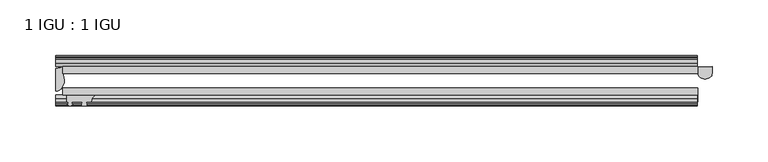
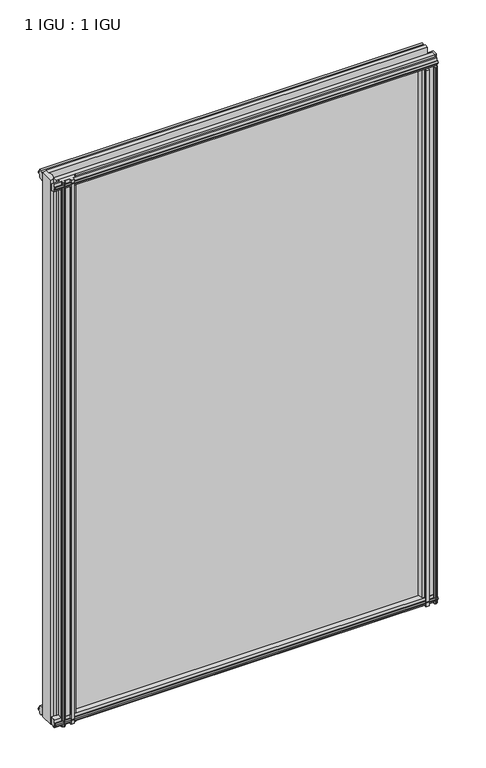
"""IFC4 building model written with IfcOpenShell, lengths in millimetres: plate geometry, 1 IGU : 1 IGU."""

from ifc_helpers import new_model, si_unit, point, frame, frame_2d, origin, place, context, project, spatial, polyline, circle_curve, ellipse_curve, trimmed, segment, composite_curve, outline, extrude, source, transform, mapped, element, save
from ifc_brep_helpers import plane_surface, cylinder_surface, revolved_surface, extruded_surface, advanced_brep


def plate_1_igu_1_igu_2c864429(model_context):
    return source(origin(), model_context, "Body", "SolidModel", [
        extrude(outline(polyline([(-314.3182532, -38.6468937), (253.8940345, -38.6468937), (253.8940345, -44.9460938), (-314.3182532, -44.9460938), (-314.3182532, -38.6468937)])), frame((0.0, 0.0, -12.7), z_axis=(0.0, 0.0, 1.0), x_axis=(1.0, 0.0, 0.0)), (0.0, 0.0, 1.0), 863.5872996),
        extrude(outline(polyline([(-314.3182532, -19.5460937), (253.8940345, -19.5460937), (253.8940345, -25.8960938), (-314.3182532, -25.8960938), (-314.3182532, -19.5460937)])), frame((0.0, 0.0, -12.7), z_axis=(0.0, 0.0, 1.0), x_axis=(1.0, 0.0, 0.0)), (0.0, 0.0, 1.0), 863.5872996),
        advanced_brep(
        [(266.5698689, -19.5460937, -12.4587), (266.5698689, -25.8452938, -12.4587), (253.8698689, -25.8452938, -12.4587), (253.8698689, -19.5460938, -12.4587), (266.5698689, -19.5460937, 837.4252996), (253.8698689, -19.5460938, 837.4252996), (253.8698689, -25.8452938, 837.4252996), (266.5698689, -25.8452938, 837.4252996)],
        [
            (0, 1),
            (1, 2, ellipse_curve(frame((260.2198689, -25.8452938, -12.4587), z_axis=(0.0, 0.0, -1.0), x_axis=(-1.0, 0.0, 0.0)), 6.35, 4.7800819)),
            (2, 3),
            (3, 0, circle_curve(frame((260.2198689, 20.9435078, -12.4587), z_axis=(0.0, 0.0, 1.0), x_axis=(1.0, 0.0, 0.0)), 40.9845134)),
            (4, 5, circle_curve(frame((260.2198689, 20.9435078, 837.4252996), z_axis=(0.0, 0.0, -1.0), x_axis=(1.0, 0.0, 0.0)), 40.9845134)),
            (5, 6),
            (6, 7, ellipse_curve(frame((260.2198689, -25.8452938, 837.4252996), z_axis=(0.0, 0.0, 1.0), x_axis=(-1.0, 0.0, 0.0)), 6.35, 4.7800819)),
            (7, 4),
            (0, 4),
            (7, 1),
            (6, 2),
            (5, 3),
        ],
        [
            plane_surface(frame((253.1995032, -13.1960938, -12.4587), z_axis=(0.0, 0.0, -1.0), x_axis=(0.0, 1.0, 0.0))),
            plane_surface(frame((253.1995032, -13.1960938, 837.4252996), z_axis=(0.0, 0.0, 1.0), x_axis=(0.0, 1.0, 0.0))),
            plane_surface(frame((266.5698689, -19.5460937, -12.4587), z_axis=(1.0, 0.0, 0.0), x_axis=(0.0, 0.0, 1.0))),
            extruded_surface(trimmed(ellipse_curve(frame((260.2198689, -25.8452938, 837.4252996), z_axis=(0.0, 0.0, -1.0), x_axis=(-1.0, 0.0, 0.0)), 6.35, 4.7800819), [point((266.5698689, -25.8452938, 837.4252996))], [point((253.8698689, -25.8452938, 837.4252996))], True, "CARTESIAN"), (0.0, 0.0, -849.8839996), 849.8839996),
            plane_surface(frame((253.8698689, -25.8452938, -12.4587), z_axis=(-1.0, 0.0, 0.0), x_axis=(0.0, 0.0, 1.0))),
            revolved_surface(polyline([(301.2043823, 20.9435078, 837.4252996), (301.2043823, 20.9435078, -12.4587)]), (260.2198689, 20.9435078, -12.4587), (0.0, 0.0, 1.0)),
        ],
        [
            (0, [[1, 2, 3, 4]]),
            (1, [[5, 6, 7, 8]]),
            (2, [[-1, 9, -8, 10]]),
            (3, [[-2, -10, -7, 11]]),
            (4, [[-3, -11, -6, 12]]),
            (5, [[-4, -12, -5, -9]]),
        ],
    ),
        advanced_brep(
        [(-320.6682532, -21.1706006, -12.7), (-314.3196413, -19.5461438, -12.7), (-314.3196413, -25.8549351, -12.7), (-313.1442901, -32.21431, -12.7), (-320.6682532, -41.5384043, -12.7), (-320.6682532, -21.1706006, 850.8872996), (-320.6682532, -41.5384043, 850.8872996), (-313.1442901, -32.21431, 850.8872996), (-314.3196413, -25.8549351, 850.8872996), (-314.3196413, -19.5461438, 850.8872996)],
        [
            (0, 1, circle_curve(frame((-320.6688226, -7.9505008, -12.7), z_axis=(0.0, 0.0, 1.0), x_axis=(1.0, 0.0, 0.0)), 13.2200998)),
            (1, 2),
            (2, 3, circle_curve(frame((-331.2066544, -32.2643264, -12.7), z_axis=(0.0, 0.0, -1.0), x_axis=(1.0, 0.0, 0.0)), 18.0624336)),
            (3, 4, ellipse_curve(frame((-320.6674203, -32.2460921, -12.7), z_axis=(0.0, 0.0, -1.0), x_axis=(0.0, -1.0, 0.0)), 9.2923123, 7.5231742)),
            (4, 0),
            (5, 6),
            (6, 7, ellipse_curve(frame((-320.6674203, -32.2460921, 850.8872996), z_axis=(0.0, 0.0, 1.0), x_axis=(0.0, -1.0, 0.0)), 9.2923123, 7.5231742)),
            (7, 8, circle_curve(frame((-331.2066544, -32.2643264, 850.8872996), z_axis=(0.0, 0.0, 1.0), x_axis=(1.0, 0.0, 0.0)), 18.0624336)),
            (8, 9),
            (9, 5, circle_curve(frame((-320.6688226, -7.9505008, 850.8872996), z_axis=(0.0, 0.0, -1.0), x_axis=(1.0, 0.0, 0.0)), 13.2200998)),
            (0, 5),
            (9, 1),
            (8, 2),
            (7, 3),
            (6, 4),
        ],
        [
            plane_surface(frame((-320.6682532, -13.1960937, -12.7), z_axis=(0.0, 0.0, -1.0), x_axis=(0.0, 1.0, 0.0))),
            plane_surface(frame((-320.6682532, -13.1960937, 850.8872996), z_axis=(0.0, 0.0, 1.0), x_axis=(0.0, 1.0, 0.0))),
            revolved_surface(polyline([(-307.4487228, -7.9505008, 850.8872996), (-307.4487228, -7.9505008, -12.7)]), (-320.6688226, -7.9505008, -12.7), (0.0, 0.0, 1.0)),
            plane_surface(frame((-314.3196413, -19.5461438, -12.7), z_axis=(1.0, 0.0, 0.0), x_axis=(0.0, 0.0, 1.0))),
            cylinder_surface(frame((-331.2066544, -32.2643264, -12.7), z_axis=(0.0, 0.0, -1.0), x_axis=(1.0, 0.0, 0.0)), 18.0624336),
            extruded_surface(trimmed(ellipse_curve(frame((-320.6674203, -32.2460921, 850.8872996), z_axis=(0.0, 0.0, -1.0), x_axis=(0.0, -1.0, 0.0)), 9.2923123, 7.5231742), [point((-313.1442901, -32.21431, 850.8872996))], [point((-320.6682532, -41.5384043, 850.8872996))], True, "CARTESIAN"), (0.0, 0.0, -863.5872996), 863.5872996),
            plane_surface(frame((-320.6682532, -41.5384043, -12.7), z_axis=(-1.0, 0.0, 0.0), x_axis=(0.0, 0.0, 1.0))),
        ],
        [
            (0, [[1, 2, 3, 4, 5]]),
            (1, [[6, 7, 8, 9, 10]]),
            (2, [[-1, 11, -10, 12]]),
            (3, [[-2, -12, -9, 13]]),
            (4, [[-3, -13, -8, 14]]),
            (5, [[-4, -14, -7, 15]]),
            (6, [[-5, -15, -6, -11]]),
        ],
    ),
        extrude(outline(polyline([(-44.9460937, 1.7177181), (-44.9460937, -9.1036578), (-48.3496937, -11.938), (-51.2960937, -11.938), (-51.2960937, -7.493), (-53.6762907, -7.112), (-53.2163575, -8.5275291), (-54.0175717, -8.5275291), (-54.7250937, -6.35), (-54.0175717, -4.1724709), (-53.2163575, -4.1724709), (-53.6762907, -5.588), (-51.2960937, -5.207), (-51.2960937, 0.0), (-44.9460937, 1.7177181)])), frame((-320.6682532, 0.0, 0.0), z_axis=(1.0, 0.0, 0.0), x_axis=(0.0, 1.0, 0.0)), (0.0, 0.0, 1.0), 573.8677564),
        extrude(outline(polyline([(-13.1960937, -12.4587), (-16.1424937, -12.4587), (-19.5460937, -9.6243578), (-19.5460937, 1.1970181), (-13.1960937, -0.5207), (-13.1960937, -5.7277), (-10.8158968, -6.1087), (-11.27583, -4.6931709), (-10.4746158, -4.6931709), (-9.7670937, -6.8707), (-10.4746158, -9.0482291), (-11.27583, -9.0482291), (-10.8158968, -7.6327), (-13.1960937, -8.0137), (-13.1960937, -12.4587)])), frame((-320.6682532, 0.0, 0.0), z_axis=(1.0, 0.0, 0.0), x_axis=(0.0, 1.0, 0.0)), (0.0, 0.0, 1.0), 573.8677564),
        extrude(outline(polyline([(-51.2960937, 850.1252996), (-48.3496937, 850.1252996), (-44.9460937, 847.2909574), (-44.9460937, 836.4695815), (-51.2960937, 838.1872996), (-51.2960937, 843.3942996), (-53.6762907, 843.7752996), (-53.2163575, 842.3597706), (-54.0175717, 842.3597706), (-54.7250937, 844.5372996), (-54.0175717, 846.7148287), (-53.2163575, 846.7148287), (-53.6762907, 845.2992996), (-51.2960937, 845.6802996), (-51.2960937, 850.1252996)])), frame((-320.6682532, 0.0, 0.0), z_axis=(1.0, 0.0, 0.0), x_axis=(0.0, 1.0, 0.0)), (0.0, 0.0, 1.0), 573.8677564),
        extrude(outline(polyline([(-19.5460937, 836.9902815), (-19.5460937, 847.8116574), (-16.1424937, 850.6459996), (-13.1960937, 850.6459996), (-13.1960937, 846.2009996), (-10.8158968, 845.8199996), (-11.27583, 847.2355287), (-10.4746158, 847.2355287), (-9.7670937, 845.0579996), (-10.4746158, 842.8804706), (-11.27583, 842.8804706), (-10.8158968, 844.2959996), (-13.1960937, 843.9149996), (-13.1960937, 838.7079996), (-19.5460937, 836.9902815)])), frame((-320.6682532, 0.0, 0.0), z_axis=(1.0, 0.0, 0.0), x_axis=(0.0, 1.0, 0.0)), (0.0, 0.0, 1.0), 573.8677564),
        extrude(outline(composite_curve([segment(polyline([(253.4971596, -44.9460938), (253.4971596, -51.2960938), (251.8461596, -51.2960938), (251.8461596, -52.9470938), (252.9237903, -52.9470938)]), True, "CONTINUOUS"), segment(trimmed(circle_curve(frame_2d((251.8461596, -52.9470938)), 1.0776307), [point((252.9237903, -52.9470938))], [point((252.6081596, -53.7090938))], False, "CARTESIAN"), True, "CONTINUOUS"), segment(polyline([(252.6081596, -53.7090938), (250.8688672, -54.8194621)]), True, "CONTINUOUS"), segment(trimmed(circle_curve(frame_2d((250.3221596, -53.9630938)), 1.016), [point((250.8688672, -54.8194621))], [point((249.775452, -54.8194621))], False, "CARTESIAN"), True, "CONTINUOUS"), segment(polyline([(249.775452, -54.8194621), (248.0361596, -53.7090938)]), True, "CONTINUOUS"), segment(trimmed(circle_curve(frame_2d((248.7981596, -52.9470938)), 1.0776307), [point((248.0361596, -53.7090938))], [point((247.7205289, -52.9470938))], False, "CARTESIAN"), True, "CONTINUOUS"), segment(polyline([(247.7205289, -52.9470938), (248.7981596, -52.9470938), (248.7981596, -51.2960938), (239.7303596, -51.2960938)]), True, "CONTINUOUS"), segment(trimmed(circle_curve(frame_2d((239.7303596, -51.7532938)), 0.4572), [point((239.7303596, -51.2960938))], [point((239.3915418, -52.0602698))], True, "CARTESIAN"), True, "CONTINUOUS"), segment(trimmed(circle_curve(frame_2d((237.6221596, -53.663367)), 2.3876), [point((239.3915418, -52.0602698))], [point((239.6928026, -54.8520938))], False, "CARTESIAN"), True, "CONTINUOUS"), segment(polyline([(239.6928026, -54.8520938), (235.5515166, -54.8520938)]), True, "CONTINUOUS"), segment(trimmed(circle_curve(frame_2d((237.6221596, -53.663367)), 2.3876), [point((235.5515166, -54.8520938))], [point((235.8527775, -52.0602698))], False, "CARTESIAN"), True, "CONTINUOUS"), segment(trimmed(circle_curve(frame_2d((235.5139596, -51.7532938)), 0.4572), [point((235.8527775, -52.0602698))], [point((235.5139596, -51.2960938))], True, "CARTESIAN"), True, "CONTINUOUS"), segment(polyline([(235.5139596, -51.2960938), (231.2721596, -51.2960938)]), True, "CONTINUOUS"), segment(trimmed(circle_curve(frame_2d((222.2562281, -51.9750196)), 9.0414579), [point((231.2721596, -51.2960938))], [point((227.9432451, -44.9460938))], True, "CARTESIAN"), True, "CONTINUOUS"), segment(polyline([(227.9432451, -44.9460938), (253.4971596, -44.9460938)]), True, "CONTINUOUS")], self_intersect=False)), frame((0.0, 0.0, -12.7), z_axis=(0.0, 0.0, 1.0), x_axis=(1.0, 0.0, 0.0)), (0.0, 0.0, 1.0), 850.8872996),
        extrude(outline(composite_curve([segment(trimmed(circle_curve(frame_2d((-279.9023219, -51.9750196)), 9.0414579), [point((-285.5893388, -44.9460938))], [point((-288.9182534, -51.2960938))], True, "CARTESIAN"), True, "CONTINUOUS"), segment(polyline([(-288.9182534, -51.2960938), (-293.1600534, -51.2960938)]), True, "CONTINUOUS"), segment(trimmed(circle_curve(frame_2d((-293.1600534, -51.7532938)), 0.4572), [point((-293.1600534, -51.2960938))], [point((-293.4988712, -52.0602698))], True, "CARTESIAN"), True, "CONTINUOUS"), segment(trimmed(circle_curve(frame_2d((-295.2682534, -53.663367)), 2.3876), [point((-293.4988712, -52.0602698))], [point((-293.1976104, -54.8520938))], False, "CARTESIAN"), True, "CONTINUOUS"), segment(polyline([(-293.1976104, -54.8520938), (-297.3388964, -54.8520938)]), True, "CONTINUOUS"), segment(trimmed(circle_curve(frame_2d((-295.2682534, -53.663367)), 2.3876), [point((-297.3388964, -54.8520938))], [point((-297.0376355, -52.0602698))], False, "CARTESIAN"), True, "CONTINUOUS"), segment(trimmed(circle_curve(frame_2d((-297.3764534, -51.7532938)), 0.4572), [point((-297.0376355, -52.0602698))], [point((-297.3764534, -51.2960938))], True, "CARTESIAN"), True, "CONTINUOUS"), segment(polyline([(-297.3764534, -51.2960938), (-306.4442534, -51.2960938), (-306.4442534, -52.9470938), (-305.3666226, -52.9470938)]), True, "CONTINUOUS"), segment(trimmed(circle_curve(frame_2d((-306.4442534, -52.9470938)), 1.0776307), [point((-305.3666226, -52.9470938))], [point((-305.6822534, -53.7090938))], False, "CARTESIAN"), True, "CONTINUOUS"), segment(polyline([(-305.6822534, -53.7090938), (-307.4215458, -54.8194621)]), True, "CONTINUOUS"), segment(trimmed(circle_curve(frame_2d((-307.9682534, -53.9630938)), 1.016), [point((-307.4215458, -54.8194621))], [point((-308.514961, -54.8194621))], False, "CARTESIAN"), True, "CONTINUOUS"), segment(polyline([(-308.514961, -54.8194621), (-310.2542534, -53.7090938)]), True, "CONTINUOUS"), segment(trimmed(circle_curve(frame_2d((-309.4922534, -52.9470938)), 1.0776307), [point((-310.2542534, -53.7090938))], [point((-310.5698841, -52.9470938))], False, "CARTESIAN"), True, "CONTINUOUS"), segment(polyline([(-310.5698841, -52.9470938), (-309.4922534, -52.9470938), (-309.4922534, -51.2960938), (-311.1432534, -51.2960938), (-311.1432534, -44.9460938), (-285.5893388, -44.9460938)]), True, "CONTINUOUS")], self_intersect=False)), frame((0.0, 0.0, -12.7), z_axis=(0.0, 0.0, 1.0), x_axis=(1.0, 0.0, 0.0)), (0.0, 0.0, 1.0), 863.5872998),
    ])


if __name__ == "__main__":
    model = new_model("IFC4")
    model_context = context("Model", 3, world=origin())
    ifc_project = project(units=[si_unit("LENGTHUNIT", "METRE", prefix="MILLI")], contexts=[model_context])
    site = spatial("IfcSite", under=ifc_project)
    building = spatial("IfcBuilding", under=site)
    placement = place(None, origin())
    plate_1_igu_1_igu_shape = plate_1_igu_1_igu_2c864429(model_context)
    element("IfcPlate", 1, ObjectType="1 IGU : 1 IGU", at=placement, inside=building, context=model_context, shape_type="MappedRepresentation", body=[
        mapped(plate_1_igu_1_igu_shape, transform((0.0, 0.0, 0.0), x_axis=(1.0, 0.0, 0.0), y_axis=(0.0, 1.0, 0.0), z_axis=(0.0, 0.0, 1.0))),
    ])
    save(model, "model.ifc")
